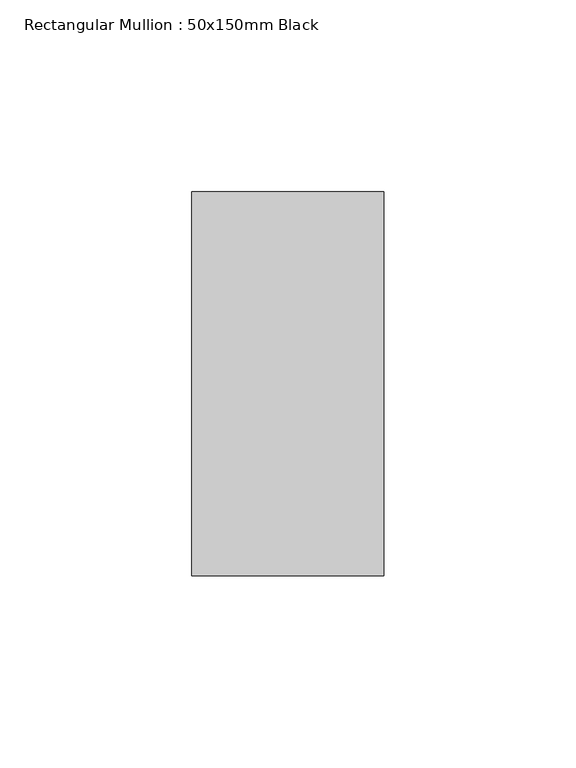
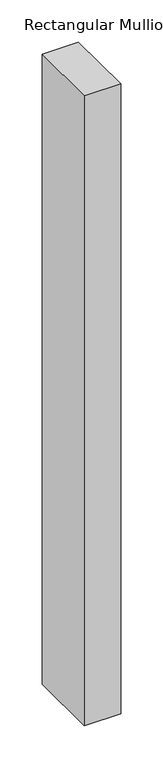
"""IFC4 building model written with IfcOpenShell, lengths in millimetres: member geometry, Rectangular Mullion : 50x150mm Black."""

from ifc_helpers import new_model, si_unit, frame, origin, place, context, project, spatial, polyline, outline, extrude, source, transform, mapped, element, save


def rectangular_mullion_50x150mm_black_9072d1e4(model_context):
    return source(origin(), model_context, "Body", "SweptSolid", [
        extrude(outline(polyline([(0.0, 50.0), (0.0, -50.0), (-50.0, -50.0), (-50.0, 50.0), (0.0, 50.0)])), frame((0.0, 0.0, -914.3), z_axis=(0.0, 0.0, 1.0), x_axis=(1.0, 0.0, 0.0)), (0.0, 0.0, 1.0), 914.3),
    ])


if __name__ == "__main__":
    model = new_model("IFC4")
    model_context = context("Model", 3, world=origin())
    ifc_project = project(units=[si_unit("LENGTHUNIT", "METRE", prefix="MILLI")], contexts=[model_context])
    site = spatial("IfcSite", under=ifc_project)
    building = spatial("IfcBuilding", under=site)
    placement = place(None, origin())
    rectangular_mullion_50x150mm_black_shape = rectangular_mullion_50x150mm_black_9072d1e4(model_context)
    element("IfcMember", 1, ObjectType="Rectangular Mullion : 50x150mm Black", at=placement, inside=building, context=model_context, shape_type="MappedRepresentation", body=[
        mapped(rectangular_mullion_50x150mm_black_shape, transform((0.0, 0.0, 0.0), x_axis=(1.0, 0.0, 0.0), y_axis=(0.0, 1.0, 0.0), z_axis=(0.0, 0.0, 1.0))),
    ])
    save(model, "model.ifc")
